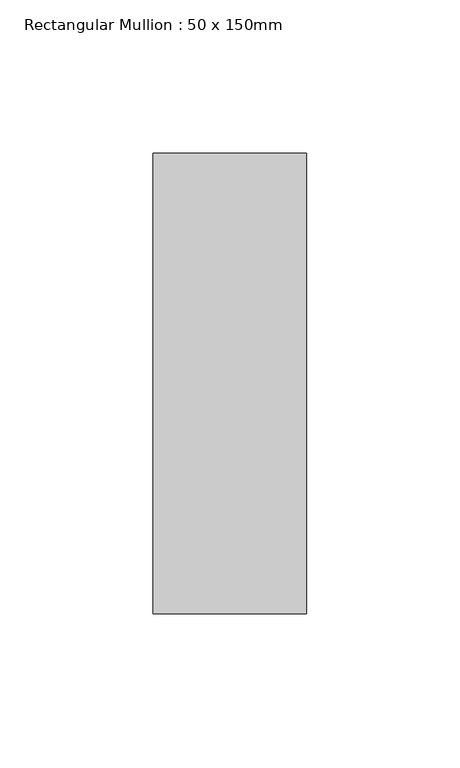
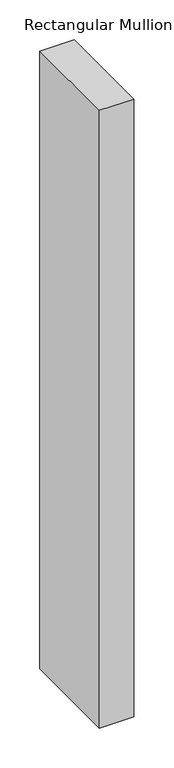
"""IFC4 building model written with IfcOpenShell, lengths in millimetres: member geometry, Rectangular Mullion : 50 x 150mm."""

from ifc_helpers import new_model, si_unit, frame, origin, place, context, project, spatial, polyline, outline, extrude, source, transform, mapped, element, save


def rectangular_mullion_50_x_150mm_77b14c54(model_context):
    return source(origin(), model_context, "Body", "SweptSolid", [
        extrude(outline(polyline([(25.0, 75.0), (25.0, -75.0), (-25.0, -75.0), (-25.0, 75.0), (25.0, 75.0)])), frame((0.0, 0.0, -947.8011093), z_axis=(0.0, 0.0, 1.0), x_axis=(1.0, 0.0, 0.0)), (0.0, 0.0, 1.0), 947.8011093),
    ])


if __name__ == "__main__":
    model = new_model("IFC4")
    model_context = context("Model", 3, world=origin())
    ifc_project = project(units=[si_unit("LENGTHUNIT", "METRE", prefix="MILLI")], contexts=[model_context])
    site = spatial("IfcSite", under=ifc_project)
    building = spatial("IfcBuilding", under=site)
    placement = place(None, origin())
    rectangular_mullion_50_x_150mm_shape = rectangular_mullion_50_x_150mm_77b14c54(model_context)
    element("IfcMember", 1, ObjectType="Rectangular Mullion : 50 x 150mm", at=placement, inside=building, context=model_context, shape_type="MappedRepresentation", body=[
        mapped(rectangular_mullion_50_x_150mm_shape, transform((0.0, 0.0, 0.0), x_axis=(1.0, 0.0, 0.0), y_axis=(0.0, 1.0, 0.0), z_axis=(0.0, 0.0, 1.0))),
    ])
    save(model, "model.ifc")
